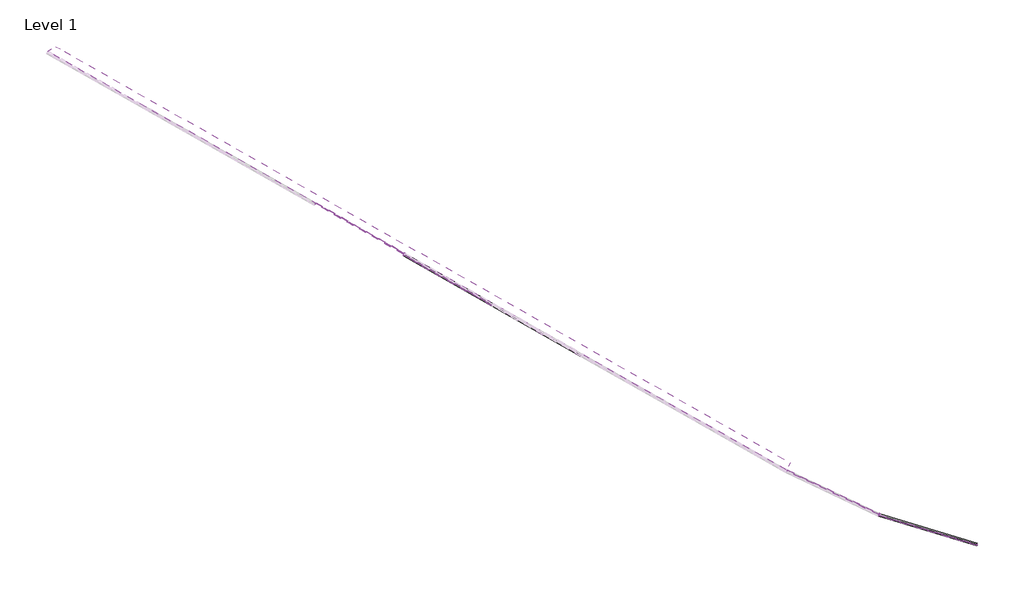
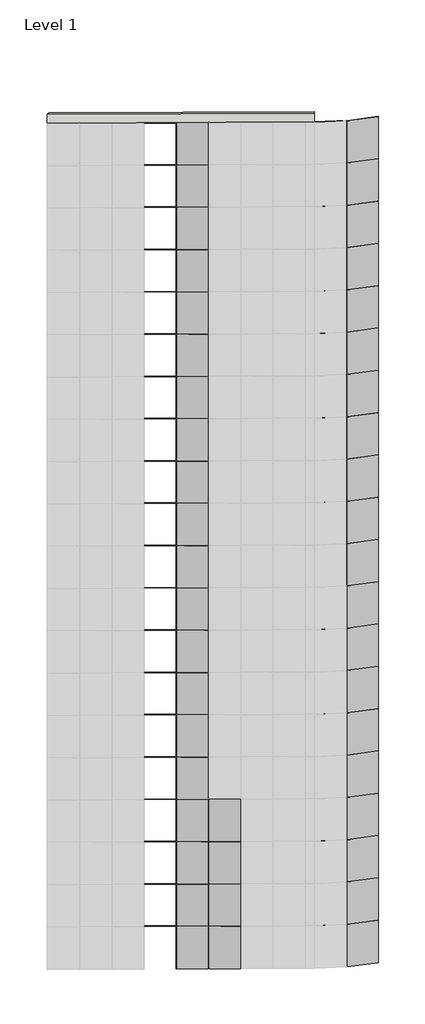
"""IFC4 building model written with IfcOpenShell, lengths in millimetres."""

import ifcopenshell
import ifcopenshell.guid

model = None  # the IFC model being written
_history = None  # IfcOwnerHistory: only IFC2X3 demands one
_inside = {}  # id of a spatial element -> (the spatial element, [elements in it])
_under = {}  # id of a project, library or spatial element -> (it, [spatial elements below it])
_declared = {}  # id of a project -> (the project, [libraries it declares])
_typed = {}  # id of a type object -> (the type object, [elements of that type])
_made_of = {}  # id of a material, layer set ... -> (it, [elements and type objects made of it])


def new_model(schema):
    """Start an empty IFC model of exactly this schema.

    Asked for "IFC4X3", IfcOpenShell would pick the latest addendum, in which some entities
    have other attributes; the version numbers below select the first issue.
    IFC2X3 requires an IfcOwnerHistory on every rooted entity: one is made here for all.
    """
    global model, _history
    if schema == "IFC4X3":
        model = ifcopenshell.file(schema_version=(4, 3, 0, 0))
    else:
        model = ifcopenshell.file(schema=schema)
    _inside.clear()
    _under.clear()
    _declared.clear()
    _typed.clear()
    _made_of.clear()
    _history = None
    if model.schema == "IFC2X3":
        org = make("IfcOrganization", Name="unknown")
        user = make(
            "IfcPersonAndOrganization",
            ThePerson=make("IfcPerson", FamilyName="unknown"),
            TheOrganization=org,
        )
        app = make(
            "IfcApplication",
            ApplicationDeveloper=org,
            Version="unknown",
            ApplicationFullName="unknown",
            ApplicationIdentifier="unknown",
        )
        _history = make(
            "IfcOwnerHistory",
            OwningUser=user,
            OwningApplication=app,
            ChangeAction="ADDED",
            CreationDate=0,
        )
    return model


def make(cls, **values):
    """One entity of the class cls with the attributes given. An attribute that is None is left unset."""
    return model.create_entity(
        cls, **{name: value for name, value in values.items() if value is not None}
    )


def rooted(cls, **values):
    """An entity with a GlobalId (a new one), such as an element, a storey or a relation."""
    return make(cls, GlobalId=ifcopenshell.guid.new(), OwnerHistory=_history, **values)


def si_unit(unit_type, name, prefix=None):
    """IfcSIUnit, for example si_unit("LENGTHUNIT", "METRE", prefix="MILLI")."""
    return make("IfcSIUnit", UnitType=unit_type, Prefix=prefix, Name=name)


def assignment(units):
    """IfcUnitAssignment: the units of a project."""
    return None if units is None else make("IfcUnitAssignment", Units=units)


def point(xyz):
    """IfcCartesianPoint."""
    return None if xyz is None else make("IfcCartesianPoint", Coordinates=xyz)


def direction(xyz):
    """IfcDirection."""
    return None if xyz is None else make("IfcDirection", DirectionRatios=xyz)


def frame(location, z_axis=None, x_axis=None):
    """IfcAxis2Placement3D, a coordinate frame: its origin and axes. An axis left out is left unset."""
    return make(
        "IfcAxis2Placement3D",
        Location=point(location),
        Axis=direction(z_axis),
        RefDirection=direction(x_axis),
    )


def origin():
    """The frame at (0, 0, 0) with its axes left unset."""
    return frame((0.0, 0.0, 0.0))


def origin_with_axes():
    """The frame at (0, 0, 0) with the z axis (0, 0, 1) and the x axis (1, 0, 0) written out."""
    return frame((0.0, 0.0, 0.0), z_axis=(0.0, 0.0, 1.0), x_axis=(1.0, 0.0, 0.0))


def place(relative_to, where):
    """IfcLocalPlacement: puts the frame where relative to a parent placement (None: the world)."""
    return make(
        "IfcLocalPlacement", PlacementRelTo=relative_to, RelativePlacement=where
    )


def context(
    kind, dimensions, precision=None, world=None, true_north=None, identifier=None
):
    """IfcGeometricRepresentationContext, for example the 3D "Model" context."""
    return make(
        "IfcGeometricRepresentationContext",
        ContextIdentifier=identifier,
        ContextType=kind,
        CoordinateSpaceDimension=dimensions,
        Precision=precision,
        WorldCoordinateSystem=world,
        TrueNorth=true_north,
    )


def project(units=None, contexts=None):
    """IfcProject with its units and contexts."""
    return rooted(
        "IfcProject",
        Name="project",
        RepresentationContexts=contexts,
        UnitsInContext=assignment(units),
    )


def spatial(cls, under=None, at=None, **own):
    """A site, building, storey or space (cls), placed at a placement, below another one or the project."""
    s = rooted(cls, ObjectPlacement=at, **own)
    if under is not None:
        _under.setdefault(under.id(), (under, []))[1].append(s)
    return s


def polyline(points):
    """IfcPolyline through the points."""
    return make("IfcPolyline", Points=[point(p) for p in points])


def outline(outer, holes=None, kind="AREA"):
    """IfcArbitraryClosedProfileDef: a profile drawn as a closed curve; with holes, ...WithVoids."""
    if holes is None:
        return make("IfcArbitraryClosedProfileDef", ProfileType=kind, OuterCurve=outer)
    return make(
        "IfcArbitraryProfileDefWithVoids",
        ProfileType=kind,
        OuterCurve=outer,
        InnerCurves=holes,
    )


def extrude(swept, where, along, depth):
    """IfcExtrudedAreaSolid: the profile swept, set in the frame where, extruded along a direction by depth."""
    return make(
        "IfcExtrudedAreaSolid",
        SweptArea=swept,
        Position=where,
        ExtrudedDirection=direction(along),
        Depth=depth,
    )


def faces_of(points, faces, orient=None, outer=None):
    """IfcFace entities. A face is a list of loops; a loop is a list of indices into points, from 0.

    orient and outer hold one flag for each loop. By default every Orientation is true, the
    first loop of a face is its IfcFaceOuterBound and the others are IfcFaceBound.
    """
    made = []
    for i, loops in enumerate(faces):
        bounds = []
        for j, loop in enumerate(loops):
            is_outer = j == 0 if outer is None else outer[i][j]
            bounds.append(
                make(
                    "IfcFaceOuterBound" if is_outer else "IfcFaceBound",
                    Bound=make("IfcPolyLoop", Polygon=[points[k] for k in loop]),
                    Orientation=True if orient is None else orient[i][j],
                )
            )
        made.append(make("IfcFace", Bounds=bounds))
    return made


def faceted_brep(points, faces, orient=None, outer=None, voids=None):
    """IfcFacetedBrep: a solid bounded by flat faces; with voids (closed shells), ...WithVoids."""
    shared = [point(p) for p in points]
    hull = make("IfcClosedShell", CfsFaces=faces_of(shared, faces, orient, outer))
    if voids is None:
        return make("IfcFacetedBrep", Outer=hull)
    return make(
        "IfcFacetedBrepWithVoids",
        Outer=hull,
        Voids=[
            make(cls, CfsFaces=faces_of(shared, fs, o, b)) for cls, fs, o, b in voids
        ],
    )


def shape(context_of_items, identifier, shape_type, items):
    """IfcShapeRepresentation: the items that make up one representation, for example the "Body"."""
    return make(
        "IfcShapeRepresentation",
        ContextOfItems=context_of_items,
        RepresentationIdentifier=identifier,
        RepresentationType=shape_type,
        Items=items,
    )


def source(mapping_origin, context_of_items, identifier, shape_type, items):
    """IfcRepresentationMap: a shape defined once, which mapped items show again and again."""
    return make(
        "IfcRepresentationMap",
        MappingOrigin=mapping_origin,
        MappedRepresentation=shape(context_of_items, identifier, shape_type, items),
    )


def transform(
    local_origin,
    x_axis=None,
    y_axis=None,
    z_axis=None,
    scale=None,
    scale2=None,
    scale3=None,
    uniform=True,
):
    """IfcCartesianTransformationOperator3D, or its non-uniform kind. x_axis, y_axis, z_axis: its Axis1, 2, 3."""
    if uniform:
        return make(
            "IfcCartesianTransformationOperator3D",
            Axis1=direction(x_axis),
            Axis2=direction(y_axis),
            LocalOrigin=point(local_origin),
            Scale=scale,
            Axis3=direction(z_axis),
        )
    return make(
        "IfcCartesianTransformationOperator3DnonUniform",
        Axis1=direction(x_axis),
        Axis2=direction(y_axis),
        LocalOrigin=point(local_origin),
        Scale=scale,
        Axis3=direction(z_axis),
        Scale2=scale2,
        Scale3=scale3,
    )


def mapped(mapping_source, mapping_target):
    """IfcMappedItem: shows the shape of a source again, moved by a transform."""
    return make(
        "IfcMappedItem", MappingSource=mapping_source, MappingTarget=mapping_target
    )


def made_of(thing, what):
    """Note that an element or type object is made of a material, layer set ...; save() writes the relation."""
    if what is not None:
        _made_of.setdefault(what.id(), (what, []))[1].append(thing)
    return thing


def element(
    cls,
    number,
    at=None,
    inside=None,
    cuts=None,
    type_object=None,
    material=None,
    context=None,
    identifier="Body",
    shape_type=None,
    held_by="IfcProductDefinitionShape",
    body=None,
    shapes=None,
    **own,
):
    """One element of the class cls, such as IfcWall. Its Tag is "e" and its number.

    at: its placement. inside: the storey or other place that contains it. cuts: it is an
    opening in that element (IfcRelVoidsElement). A single representation is given by context,
    identifier, shape_type and body (its items); several are given by shapes. held_by: the class
    of the entity that holds the representations. save() writes the other relations.
    """
    e = rooted(cls, Tag="e%d" % number, ObjectPlacement=at, **own)
    if body is not None:
        shapes = [shape(context, identifier, shape_type, body)]
    if shapes is not None:
        e.Representation = make(held_by, Representations=shapes)
    if inside is not None:
        _inside.setdefault(inside.id(), (inside, []))[1].append(e)
    if cuts is not None:
        rooted(
            "IfcRelVoidsElement", RelatingBuildingElement=cuts, RelatedOpeningElement=e
        )
    if type_object is not None:
        _typed.setdefault(type_object.id(), (type_object, []))[1].append(e)
    return made_of(e, material)


def aggregate(whole, parts):
    """IfcRelAggregates: a whole, such as a stair, and the parts it consists of."""
    return rooted("IfcRelAggregates", RelatingObject=whole, RelatedObjects=parts)


def save(model, path):
    """Write the relations noted so far, then the file.

    IfcRelAggregates (storeys below a building ...), IfcRelContainedInSpatialStructure (elements
    in a storey), IfcRelDefinesByType, IfcRelAssociatesMaterial and IfcRelDeclares: one each for
    every whole, place, type object, material and project.
    """
    for whole, parts in _under.values():
        aggregate(whole, parts)
    for where, things in _inside.values():
        rooted(
            "IfcRelContainedInSpatialStructure",
            RelatedElements=things,
            RelatingStructure=where,
        )
    for kind, things in _typed.values():
        rooted("IfcRelDefinesByType", RelatedObjects=things, RelatingType=kind)
    for what, things in _made_of.values():
        rooted("IfcRelAssociatesMaterial", RelatedObjects=things, RelatingMaterial=what)
    for by, libraries in _declared.values():
        rooted("IfcRelDeclares", RelatingContext=by, RelatedDefinitions=libraries)
    model.write(path)


def rectangular_mullion_30mm_square_a2305603(model_context):
    return source(origin(), model_context, "Body", "SweptSolid", [
        extrude(outline(polyline([(15.0, 15.0), (15.0, -15.0), (-15.0, -15.0), (-15.0, 15.0), (15.0, 15.0)])), frame((0.0, 0.0, -4015.0), z_axis=(0.0, 0.0, 1.0), x_axis=(1.0, 0.0, 0.0)), (0.0, 0.0, 1.0), 4015.0),
    ])


def rectangular_mullion_30mm_square_2a99bbf3(model_context):
    return source(origin(), model_context, "Body", "SweptSolid", [
        extrude(outline(polyline([(15.0, 15.0), (15.0, -15.0), (-15.0, -15.0), (-15.0, 15.0), (15.0, 15.0)])), frame((0.0, 0.0, -4000.0), z_axis=(0.0, 0.0, 1.0), x_axis=(1.0, 0.0, 0.0)), (0.0, 0.0, 1.0), 4000.0),
    ])


def rectangular_mullion_30mm_square_a85e5849(model_context):
    return source(origin(), model_context, "Body", "SweptSolid", [
        extrude(outline(polyline([(15.0, 15.0), (15.0, -15.0), (-15.0, -15.0), (-15.0, 15.0), (15.0, 15.0)])), frame((0.0, 0.0, -3985.0), z_axis=(0.0, 0.0, 1.0), x_axis=(1.0, 0.0, 0.0)), (0.0, 0.0, 1.0), 3985.0),
    ])


def rectangular_mullion_30mm_square_a75c0846(model_context):
    return source(origin(), model_context, "Body", "SweptSolid", [
        extrude(outline(polyline([(-15.0, 14.4444596), (-13.8493475, -1.0684652), (15.0, 1.0714004), (15.0, -2470.000017), (-15.0, -2470.000017), (-15.0, 14.4444596)])), frame((-30.0, 0.0, 0.0), z_axis=(1.0, 0.0, 0.0), x_axis=(0.0, 1.0, 0.0)), (0.0, 0.0, 1.0), 30.0),
    ])


def rectangular_mullion_30mm_square_05d4f6f3(model_context):
    return source(origin(), model_context, "Body", "SweptSolid", [
        extrude(outline(polyline([(-15.0, 14.447782), (-13.8564546, -1.0623369), (15.0, 1.0652204), (15.0, -2471.0652204), (-13.8564546, -2468.9376631), (-15.0, -2484.447782), (-15.0, 14.447782)])), frame((-30.0, 0.0, 0.0), z_axis=(1.0, 0.0, 0.0), x_axis=(0.0, 1.0, 0.0)), (0.0, 0.0, 1.0), 30.0),
    ])


def rectangular_mullion_30mm_square_098c2dfb(model_context):
    return source(origin(), model_context, "Body", "Brep", [
        faceted_brep([(15.0, 15.0, -2470.000017), (15.0, -15.0, -2470.000017), (-15.0, -15.0, -2470.000017), (-15.0, 15.0, -2470.000017), (-15.0, 15.0, 1.0714004), (0.0, 15.0, 1.0714004), (15.0, 15.0, 1.0714004), (-15.0, -15.0, 14.4444596), (-15.0, -13.8493475, -1.0684652), (15.0, -15.0, 14.4444596), (0.0, -15.0, 14.4444596), (15.0, -13.8493475, -1.0684652), (0.0, -13.8493475, -1.0684652)], [[[0, 1, 2, 3]], [[4, 5, 6, 0, 3]], [[7, 8, 4, 3, 2]], [[9, 10, 7, 2, 1]], [[6, 11, 9, 1, 0]], [[6, 5, 12, 11]], [[5, 4, 8, 12]], [[8, 7, 10, 12]], [[10, 9, 11, 12]]]),
    ])


def rectangular_mullion_30mm_square_265a0302(model_context):
    return source(origin(), model_context, "Body", "SweptSolid", [
        extrude(outline(polyline([(0.0, 15.0), (0.0, -15.0), (-30.0, -15.0), (-30.0, 15.0), (0.0, 15.0)])), frame((0.0, 0.0, -2470.0000003), z_axis=(0.0, 0.0, 1.0), x_axis=(1.0, 0.0, 0.0)), (0.0, 0.0, 1.0), 2470.0000003),
    ])


def rectangular_mullion_30mm_square_9cf49471(model_context):
    return source(origin(), model_context, "Body", "SweptSolid", [
        extrude(outline(polyline([(15.0, 15.0), (15.0, -15.0), (-15.0, -15.0), (-15.0, 15.0), (15.0, 15.0)])), frame((0.0, 0.0, -2470.0000003), z_axis=(0.0, 0.0, 1.0), x_axis=(1.0, 0.0, 0.0)), (0.0, 0.0, 1.0), 2470.0000003),
    ])


def system_panel_glazed_a46cada3(model_context):
    return source(origin(), model_context, "Body", "SweptSolid", [
        extrude(outline(polyline([(1250.0, -49.5), (-1250.0, -49.5), (-1250.0, -24.5), (1250.0, -24.5), (1250.0, -49.5)])), origin_with_axes(), (0.0, 0.0, 1.0), 4000.0),
    ])


def system_panel_glazed_f0c60a00(model_context):
    return source(origin(), model_context, "Body", "SweptSolid", [
        extrude(outline(polyline([(1250.0, -49.5), (-1250.0, -49.5), (-1250.0, -24.5), (1250.0, -24.5), (1250.0, -49.5)])), origin_with_axes(), (0.0, 0.0, 1.0), 4015.0),
    ])


def system_panel_glazed_3cdec05c(model_context):
    return source(origin(), model_context, "Body", "SweptSolid", [
        extrude(outline(polyline([(1250.0, -49.5), (-1250.0, -49.5), (-1250.0, -24.5), (1250.0, -24.5), (1250.0, -49.5)])), origin_with_axes(), (0.0, 0.0, 1.0), 3985.0),
    ])


model = new_model("IFC4")

# Units and contexts
model_context = context("Model", 3, world=origin())
ifc_project = project(units=[si_unit("LENGTHUNIT", "METRE", prefix="MILLI")], contexts=[model_context])

# Site, building, storey
site = spatial("IfcSite", under=ifc_project)
building = spatial("IfcBuilding", under=site)
storey = spatial("IfcBuildingStorey", under=building, Name="Level 1", Elevation=0.0)

# Members
placement = place(None, origin())
rectangular_mullion_30mm_square_shape = rectangular_mullion_30mm_square_a2305603(model_context)
element("IfcMember", 1, ObjectType="Rectangular Mullion : 30mm Square", at=placement, inside=storey, context=model_context, shape_type="MappedRepresentation", body=[
    mapped(rectangular_mullion_30mm_square_shape, transform((-13667.6771424, -4505.4584691, 0.0), x_axis=(0.8700221858486108, -0.49301257198088305, 0.0), y_axis=(-0.49301257198088305, -0.8700221858486108, 0.0), z_axis=(0.0, 0.0, -1.0))),
])
rectangular_mullion_30mm_square_2_shape = rectangular_mullion_30mm_square_2a99bbf3(model_context)
element("IfcMember", 2, ObjectType="Rectangular Mullion : 30mm Square", at=placement, inside=storey, context=model_context, shape_type="MappedRepresentation", body=[
    mapped(rectangular_mullion_30mm_square_2_shape, transform((-13667.6771424, -4505.4584691, 4015.0), x_axis=(0.8700221858486108, -0.49301257198088305, 0.0), y_axis=(-0.49301257198088305, -0.8700221858486108, 0.0), z_axis=(0.0, 0.0, -1.0))),
])
element("IfcMember", 3, ObjectType="Rectangular Mullion : 30mm Square", at=placement, inside=storey, context=model_context, shape_type="MappedRepresentation", body=[
    mapped(rectangular_mullion_30mm_square_2_shape, transform((-13667.6771424, -4505.4584691, 8015.0), x_axis=(0.8700221858486108, -0.49301257198088305, 0.0), y_axis=(-0.49301257198088305, -0.8700221858486108, 0.0), z_axis=(0.0, 0.0, -1.0))),
])
element("IfcMember", 4, ObjectType="Rectangular Mullion : 30mm Square", at=placement, inside=storey, context=model_context, shape_type="MappedRepresentation", body=[
    mapped(rectangular_mullion_30mm_square_2_shape, transform((-13667.6771424, -4505.4584691, 12015.0), x_axis=(0.8700221858486108, -0.49301257198088305, 0.0), y_axis=(-0.49301257198088305, -0.8700221858486108, 0.0), z_axis=(0.0, 0.0, -1.0))),
])
element("IfcMember", 5, ObjectType="Rectangular Mullion : 30mm Square", at=placement, inside=storey, context=model_context, shape_type="MappedRepresentation", body=[
    mapped(rectangular_mullion_30mm_square_2_shape, transform((-13667.6771424, -4505.4584691, 16015.0), x_axis=(0.8700221858486108, -0.49301257198088305, 0.0), y_axis=(-0.49301257198088305, -0.8700221858486108, 0.0), z_axis=(0.0, 0.0, -1.0))),
])
element("IfcMember", 6, ObjectType="Rectangular Mullion : 30mm Square", at=placement, inside=storey, context=model_context, shape_type="MappedRepresentation", body=[
    mapped(rectangular_mullion_30mm_square_2_shape, transform((-13667.6771424, -4505.4584691, 20015.0), x_axis=(0.8700221858486108, -0.49301257198088305, 0.0), y_axis=(-0.49301257198088305, -0.8700221858486108, 0.0), z_axis=(0.0, 0.0, -1.0))),
])
element("IfcMember", 7, ObjectType="Rectangular Mullion : 30mm Square", at=placement, inside=storey, context=model_context, shape_type="MappedRepresentation", body=[
    mapped(rectangular_mullion_30mm_square_2_shape, transform((-13667.6771424, -4505.4584691, 24015.0), x_axis=(0.8700221858486108, -0.49301257198088305, 0.0), y_axis=(-0.49301257198088305, -0.8700221858486108, 0.0), z_axis=(0.0, 0.0, -1.0))),
])
element("IfcMember", 8, ObjectType="Rectangular Mullion : 30mm Square", at=placement, inside=storey, context=model_context, shape_type="MappedRepresentation", body=[
    mapped(rectangular_mullion_30mm_square_2_shape, transform((-13667.6771424, -4505.4584691, 28015.0), x_axis=(0.8700221858486108, -0.49301257198088305, 0.0), y_axis=(-0.49301257198088305, -0.8700221858486108, 0.0), z_axis=(0.0, 0.0, -1.0))),
])
element("IfcMember", 9, ObjectType="Rectangular Mullion : 30mm Square", at=placement, inside=storey, context=model_context, shape_type="MappedRepresentation", body=[
    mapped(rectangular_mullion_30mm_square_2_shape, transform((-13667.6771424, -4505.4584691, 32015.0), x_axis=(0.8700221858486108, -0.49301257198088305, 0.0), y_axis=(-0.49301257198088305, -0.8700221858486108, 0.0), z_axis=(0.0, 0.0, -1.0))),
])
element("IfcMember", 10, ObjectType="Rectangular Mullion : 30mm Square", at=placement, inside=storey, context=model_context, shape_type="MappedRepresentation", body=[
    mapped(rectangular_mullion_30mm_square_2_shape, transform((-13667.6771424, -4505.4584691, 36015.0), x_axis=(0.8700221858486108, -0.49301257198088305, 0.0), y_axis=(-0.49301257198088305, -0.8700221858486108, 0.0), z_axis=(0.0, 0.0, -1.0))),
])
element("IfcMember", 11, ObjectType="Rectangular Mullion : 30mm Square", at=placement, inside=storey, context=model_context, shape_type="MappedRepresentation", body=[
    mapped(rectangular_mullion_30mm_square_2_shape, transform((-13667.6771424, -4505.4584691, 40015.0), x_axis=(0.8700221858486108, -0.49301257198088305, 0.0), y_axis=(-0.49301257198088305, -0.8700221858486108, 0.0), z_axis=(0.0, 0.0, -1.0))),
])
element("IfcMember", 12, ObjectType="Rectangular Mullion : 30mm Square", at=placement, inside=storey, context=model_context, shape_type="MappedRepresentation", body=[
    mapped(rectangular_mullion_30mm_square_2_shape, transform((-13667.6771424, -4505.4584691, 44015.0), x_axis=(0.8700221858486108, -0.49301257198088305, 0.0), y_axis=(-0.49301257198088305, -0.8700221858486108, 0.0), z_axis=(0.0, 0.0, -1.0))),
])
element("IfcMember", 13, ObjectType="Rectangular Mullion : 30mm Square", at=placement, inside=storey, context=model_context, shape_type="MappedRepresentation", body=[
    mapped(rectangular_mullion_30mm_square_2_shape, transform((-13667.6771424, -4505.4584691, 48015.0), x_axis=(0.8700221858486108, -0.49301257198088305, 0.0), y_axis=(-0.49301257198088305, -0.8700221858486108, 0.0), z_axis=(0.0, 0.0, -1.0))),
])
element("IfcMember", 14, ObjectType="Rectangular Mullion : 30mm Square", at=placement, inside=storey, context=model_context, shape_type="MappedRepresentation", body=[
    mapped(rectangular_mullion_30mm_square_2_shape, transform((-13667.6771424, -4505.4584691, 52015.0), x_axis=(0.8700221858486108, -0.49301257198088305, 0.0), y_axis=(-0.49301257198088305, -0.8700221858486108, 0.0), z_axis=(0.0, 0.0, -1.0))),
])
element("IfcMember", 15, ObjectType="Rectangular Mullion : 30mm Square", at=placement, inside=storey, context=model_context, shape_type="MappedRepresentation", body=[
    mapped(rectangular_mullion_30mm_square_2_shape, transform((-13667.6771424, -4505.4584691, 56015.0), x_axis=(0.8700221858486108, -0.49301257198088305, 0.0), y_axis=(-0.49301257198088305, -0.8700221858486108, 0.0), z_axis=(0.0, 0.0, -1.0))),
])
element("IfcMember", 16, ObjectType="Rectangular Mullion : 30mm Square", at=placement, inside=storey, context=model_context, shape_type="MappedRepresentation", body=[
    mapped(rectangular_mullion_30mm_square_2_shape, transform((-13667.6771424, -4505.4584691, 60015.0), x_axis=(0.8700221858486108, -0.49301257198088305, 0.0), y_axis=(-0.49301257198088305, -0.8700221858486108, 0.0), z_axis=(0.0, 0.0, -1.0))),
])
element("IfcMember", 17, ObjectType="Rectangular Mullion : 30mm Square", at=placement, inside=storey, context=model_context, shape_type="MappedRepresentation", body=[
    mapped(rectangular_mullion_30mm_square_2_shape, transform((-13667.6771424, -4505.4584691, 64015.0), x_axis=(0.8700221858486108, -0.49301257198088305, 0.0), y_axis=(-0.49301257198088305, -0.8700221858486108, 0.0), z_axis=(0.0, 0.0, -1.0))),
])
element("IfcMember", 18, ObjectType="Rectangular Mullion : 30mm Square", at=placement, inside=storey, context=model_context, shape_type="MappedRepresentation", body=[
    mapped(rectangular_mullion_30mm_square_2_shape, transform((-13667.6771424, -4505.4584691, 68015.0), x_axis=(0.8700221858486108, -0.49301257198088305, 0.0), y_axis=(-0.49301257198088305, -0.8700221858486108, 0.0), z_axis=(0.0, 0.0, -1.0))),
])
element("IfcMember", 19, ObjectType="Rectangular Mullion : 30mm Square", at=placement, inside=storey, context=model_context, shape_type="MappedRepresentation", body=[
    mapped(rectangular_mullion_30mm_square_2_shape, transform((-13667.6771424, -4505.4584691, 72015.0), x_axis=(0.8700221858486108, -0.49301257198088305, 0.0), y_axis=(-0.49301257198088305, -0.8700221858486108, 0.0), z_axis=(0.0, 0.0, -1.0))),
])
element("IfcMember", 20, ObjectType="Rectangular Mullion : 30mm Square", at=placement, inside=storey, context=model_context, shape_type="MappedRepresentation", body=[
    mapped(rectangular_mullion_30mm_square_2_shape, transform((-2067.5119364, -10865.0563526, 36015.0), x_axis=(0.9332383198328057, -0.35925789955913556, 0.0), y_axis=(-0.35925789955913556, -0.9332383198328057, 0.0), z_axis=(0.0, 0.0, -1.0))),
])
element("IfcMember", 21, ObjectType="Rectangular Mullion : 30mm Square", at=placement, inside=storey, context=model_context, shape_type="MappedRepresentation", body=[
    mapped(rectangular_mullion_30mm_square_2_shape, transform((-2067.5119364, -10865.0563526, 40015.0), x_axis=(0.9332383198328057, -0.35925789955913556, 0.0), y_axis=(-0.35925789955913556, -0.9332383198328057, 0.0), z_axis=(0.0, 0.0, -1.0))),
])
element("IfcMember", 22, ObjectType="Rectangular Mullion : 30mm Square", at=placement, inside=storey, context=model_context, shape_type="MappedRepresentation", body=[
    mapped(rectangular_mullion_30mm_square_2_shape, transform((-2067.5119364, -10865.0563526, 44015.0), x_axis=(0.9332383198328057, -0.35925789955913556, 0.0), y_axis=(-0.35925789955913556, -0.9332383198328057, 0.0), z_axis=(0.0, 0.0, -1.0))),
])
element("IfcMember", 23, ObjectType="Rectangular Mullion : 30mm Square", at=placement, inside=storey, context=model_context, shape_type="MappedRepresentation", body=[
    mapped(rectangular_mullion_30mm_square_2_shape, transform((-2067.5119364, -10865.0563526, 48015.0), x_axis=(0.9332383198328054, -0.35925789955913634, 0.0), y_axis=(-0.35925789955913634, -0.9332383198328054, 0.0), z_axis=(0.0, 0.0, -1.0))),
])
element("IfcMember", 24, ObjectType="Rectangular Mullion : 30mm Square", at=placement, inside=storey, context=model_context, shape_type="MappedRepresentation", body=[
    mapped(rectangular_mullion_30mm_square_2_shape, transform((-2067.5119364, -10865.0563526, 52015.0), x_axis=(0.9332383198328057, -0.35925789955913556, 0.0), y_axis=(-0.35925789955913556, -0.9332383198328057, 0.0), z_axis=(0.0, 0.0, -1.0))),
])
element("IfcMember", 25, ObjectType="Rectangular Mullion : 30mm Square", at=placement, inside=storey, context=model_context, shape_type="MappedRepresentation", body=[
    mapped(rectangular_mullion_30mm_square_2_shape, transform((-2067.5119364, -10865.0563526, 56015.0), x_axis=(0.9332383198328057, -0.35925789955913556, 0.0), y_axis=(-0.35925789955913556, -0.9332383198328057, 0.0), z_axis=(0.0, 0.0, -1.0))),
])
element("IfcMember", 26, ObjectType="Rectangular Mullion : 30mm Square", at=placement, inside=storey, context=model_context, shape_type="MappedRepresentation", body=[
    mapped(rectangular_mullion_30mm_square_2_shape, transform((-2067.5119364, -10865.0563526, 60015.0), x_axis=(0.9332383198328057, -0.35925789955913556, 0.0), y_axis=(-0.35925789955913556, -0.9332383198328057, 0.0), z_axis=(0.0, 0.0, -1.0))),
])
element("IfcMember", 27, ObjectType="Rectangular Mullion : 30mm Square", at=placement, inside=storey, context=model_context, shape_type="MappedRepresentation", body=[
    mapped(rectangular_mullion_30mm_square_2_shape, transform((-2067.5119364, -10865.0563526, 64015.0), x_axis=(0.9332383198328057, -0.35925789955913556, 0.0), y_axis=(-0.35925789955913556, -0.9332383198328057, 0.0), z_axis=(0.0, 0.0, -1.0))),
])
element("IfcMember", 28, ObjectType="Rectangular Mullion : 30mm Square", at=placement, inside=storey, context=model_context, shape_type="MappedRepresentation", body=[
    mapped(rectangular_mullion_30mm_square_2_shape, transform((-2067.5119364, -10865.0563526, 68015.0), x_axis=(0.9332383198328057, -0.35925789955913556, 0.0), y_axis=(-0.35925789955913556, -0.9332383198328057, 0.0), z_axis=(0.0, 0.0, -1.0))),
])
element("IfcMember", 29, ObjectType="Rectangular Mullion : 30mm Square", at=placement, inside=storey, context=model_context, shape_type="MappedRepresentation", body=[
    mapped(rectangular_mullion_30mm_square_2_shape, transform((-2067.5119364, -10865.0563526, 72015.0), x_axis=(0.9332383198328057, -0.35925789955913556, 0.0), y_axis=(-0.35925789955913556, -0.9332383198328057, 0.0), z_axis=(0.0, 0.0, -1.0))),
])
rectangular_mullion_30mm_square_3_shape = rectangular_mullion_30mm_square_a85e5849(model_context)
element("IfcMember", 30, ObjectType="Rectangular Mullion : 30mm Square", at=placement, inside=storey, context=model_context, shape_type="MappedRepresentation", body=[
    mapped(rectangular_mullion_30mm_square_3_shape, transform((-13667.6771424, -4505.4584691, 76015.0), x_axis=(0.8700221858486108, -0.49301257198088305, 0.0), y_axis=(-0.49301257198088305, -0.8700221858486108, 0.0), z_axis=(0.0, 0.0, -1.0))),
])
element("IfcMember", 31, ObjectType="Rectangular Mullion : 30mm Square", at=placement, inside=storey, context=model_context, shape_type="MappedRepresentation", body=[
    mapped(rectangular_mullion_30mm_square_3_shape, transform((-2067.5119364, -10865.0563526, 76015.0), x_axis=(0.9332383198328057, -0.35925789955913556, 0.0), y_axis=(-0.35925789955913556, -0.9332383198328057, 0.0), z_axis=(0.0, 0.0, -1.0))),
])
rectangular_mullion_30mm_square_4_shape = rectangular_mullion_30mm_square_a75c0846(model_context)
element("IfcMember", 32, ObjectType="Rectangular Mullion : 30mm Square", at=placement, inside=storey, context=model_context, shape_type="MappedRepresentation", body=[
    mapped(rectangular_mullion_30mm_square_4_shape, transform((-2081.0735433, -10858.6467645, 80000.0), x_axis=(0.0, 0.0, 1.0), y_axis=(-0.42730587295722766, -0.9041071235955737, 0.0), z_axis=(0.9041071235955737, -0.42730587295722766, 0.0))),
])
rectangular_mullion_30mm_square_5_shape = rectangular_mullion_30mm_square_05d4f6f3(model_context)
element("IfcMember", 33, ObjectType="Rectangular Mullion : 30mm Square", at=placement, inside=storey, context=model_context, shape_type="MappedRepresentation", body=[
    mapped(rectangular_mullion_30mm_square_5_shape, transform((-2053.1550148, -10869.4013267, 0.0), x_axis=(0.0, 0.0, -1.0), y_axis=(-0.2896649413390073, -0.9571281114663123, 0.0), z_axis=(-0.9571281114663123, 0.2896649413390073, 0.0))),
])
rectangular_mullion_30mm_square_6_shape = rectangular_mullion_30mm_square_098c2dfb(model_context)
element("IfcMember", 34, ObjectType="Rectangular Mullion : 30mm Square", at=placement, inside=storey, context=model_context, shape_type="MappedRepresentation", body=[
    mapped(rectangular_mullion_30mm_square_6_shape, transform((-2081.0735433, -10858.6467645, 4015.0), x_axis=(0.0, 0.0, 1.0), y_axis=(-0.42730587295722766, -0.9041071235955737, 0.0), z_axis=(0.9041071235955737, -0.42730587295722766, 0.0))),
])
element("IfcMember", 35, ObjectType="Rectangular Mullion : 30mm Square", at=placement, inside=storey, context=model_context, shape_type="MappedRepresentation", body=[
    mapped(rectangular_mullion_30mm_square_6_shape, transform((-2081.0735433, -10858.6467645, 8015.0), x_axis=(0.0, 0.0, 1.0), y_axis=(-0.42730587295722766, -0.9041071235955737, 0.0), z_axis=(0.9041071235955737, -0.42730587295722766, 0.0))),
])
element("IfcMember", 36, ObjectType="Rectangular Mullion : 30mm Square", at=placement, inside=storey, context=model_context, shape_type="MappedRepresentation", body=[
    mapped(rectangular_mullion_30mm_square_6_shape, transform((-2081.0735433, -10858.6467645, 12015.0), x_axis=(0.0, 0.0, 1.0), y_axis=(-0.42730587295722766, -0.9041071235955737, 0.0), z_axis=(0.9041071235955737, -0.42730587295722766, 0.0))),
])
element("IfcMember", 37, ObjectType="Rectangular Mullion : 30mm Square", at=placement, inside=storey, context=model_context, shape_type="MappedRepresentation", body=[
    mapped(rectangular_mullion_30mm_square_6_shape, transform((-2081.0735433, -10858.6467645, 16015.0), x_axis=(0.0, 0.0, 1.0), y_axis=(-0.42730587295722766, -0.9041071235955737, 0.0), z_axis=(0.9041071235955737, -0.42730587295722766, 0.0))),
])
element("IfcMember", 38, ObjectType="Rectangular Mullion : 30mm Square", at=placement, inside=storey, context=model_context, shape_type="MappedRepresentation", body=[
    mapped(rectangular_mullion_30mm_square_6_shape, transform((-2081.0735433, -10858.6467645, 20015.0), x_axis=(0.0, 0.0, 1.0), y_axis=(-0.42730587295722766, -0.9041071235955737, 0.0), z_axis=(0.9041071235955737, -0.42730587295722766, 0.0))),
])
element("IfcMember", 39, ObjectType="Rectangular Mullion : 30mm Square", at=placement, inside=storey, context=model_context, shape_type="MappedRepresentation", body=[
    mapped(rectangular_mullion_30mm_square_6_shape, transform((-2081.0735433, -10858.6467645, 24015.0), x_axis=(0.0, 0.0, 1.0), y_axis=(-0.42730587295722766, -0.9041071235955737, 0.0), z_axis=(0.9041071235955737, -0.42730587295722766, 0.0))),
])
element("IfcMember", 40, ObjectType="Rectangular Mullion : 30mm Square", at=placement, inside=storey, context=model_context, shape_type="MappedRepresentation", body=[
    mapped(rectangular_mullion_30mm_square_6_shape, transform((-2081.0735433, -10858.6467645, 28015.0), x_axis=(0.0, 0.0, 1.0), y_axis=(-0.42730587295722766, -0.9041071235955737, 0.0), z_axis=(0.9041071235955737, -0.42730587295722766, 0.0))),
])
element("IfcMember", 41, ObjectType="Rectangular Mullion : 30mm Square", at=placement, inside=storey, context=model_context, shape_type="MappedRepresentation", body=[
    mapped(rectangular_mullion_30mm_square_6_shape, transform((-2081.0735433, -10858.6467645, 32015.0), x_axis=(0.0, 0.0, 1.0), y_axis=(-0.42730587295722755, -0.9041071235955735, 0.0), z_axis=(0.9041071235955735, -0.42730587295722755, 0.0))),
])
element("IfcMember", 42, ObjectType="Rectangular Mullion : 30mm Square", at=placement, inside=storey, context=model_context, shape_type="MappedRepresentation", body=[
    mapped(rectangular_mullion_30mm_square_6_shape, transform((-2081.0735433, -10858.6467645, 36015.0), x_axis=(0.0, 0.0, 1.0), y_axis=(-0.4273058729572275, -0.9041071235955735, 0.0), z_axis=(0.9041071235955735, -0.4273058729572275, 0.0))),
])
element("IfcMember", 43, ObjectType="Rectangular Mullion : 30mm Square", at=placement, inside=storey, context=model_context, shape_type="MappedRepresentation", body=[
    mapped(rectangular_mullion_30mm_square_6_shape, transform((-2081.0735433, -10858.6467645, 40015.0), x_axis=(0.0, 0.0, 1.0), y_axis=(-0.4273058729572275, -0.9041071235955735, 0.0), z_axis=(0.9041071235955735, -0.4273058729572275, 0.0))),
])
element("IfcMember", 44, ObjectType="Rectangular Mullion : 30mm Square", at=placement, inside=storey, context=model_context, shape_type="MappedRepresentation", body=[
    mapped(rectangular_mullion_30mm_square_6_shape, transform((-2081.0735433, -10858.6467645, 44015.0), x_axis=(0.0, 0.0, 1.0), y_axis=(-0.4273058729572275, -0.9041071235955735, 0.0), z_axis=(0.9041071235955735, -0.4273058729572275, 0.0))),
])
element("IfcMember", 45, ObjectType="Rectangular Mullion : 30mm Square", at=placement, inside=storey, context=model_context, shape_type="MappedRepresentation", body=[
    mapped(rectangular_mullion_30mm_square_6_shape, transform((-2081.0735433, -10858.6467645, 48015.0), x_axis=(0.0, 0.0, 1.0), y_axis=(-0.4273058729572278, -0.9041071235955734, 0.0), z_axis=(0.9041071235955734, -0.4273058729572278, 0.0))),
])
element("IfcMember", 46, ObjectType="Rectangular Mullion : 30mm Square", at=placement, inside=storey, context=model_context, shape_type="MappedRepresentation", body=[
    mapped(rectangular_mullion_30mm_square_6_shape, transform((-2081.0735433, -10858.6467645, 52015.0), x_axis=(0.0, 0.0, 1.0), y_axis=(-0.4273058729572275, -0.9041071235955735, 0.0), z_axis=(0.9041071235955735, -0.4273058729572275, 0.0))),
])
element("IfcMember", 47, ObjectType="Rectangular Mullion : 30mm Square", at=placement, inside=storey, context=model_context, shape_type="MappedRepresentation", body=[
    mapped(rectangular_mullion_30mm_square_6_shape, transform((-2081.0735433, -10858.6467645, 56015.0), x_axis=(0.0, 0.0, 1.0), y_axis=(-0.42730587295722755, -0.9041071235955735, 0.0), z_axis=(0.9041071235955735, -0.42730587295722755, 0.0))),
])
element("IfcMember", 48, ObjectType="Rectangular Mullion : 30mm Square", at=placement, inside=storey, context=model_context, shape_type="MappedRepresentation", body=[
    mapped(rectangular_mullion_30mm_square_6_shape, transform((-2081.0735433, -10858.6467645, 60015.0), x_axis=(0.0, 0.0, 1.0), y_axis=(-0.42730587295722766, -0.9041071235955735, 0.0), z_axis=(0.9041071235955735, -0.42730587295722766, 0.0))),
])
element("IfcMember", 49, ObjectType="Rectangular Mullion : 30mm Square", at=placement, inside=storey, context=model_context, shape_type="MappedRepresentation", body=[
    mapped(rectangular_mullion_30mm_square_6_shape, transform((-2081.0735433, -10858.6467645, 64015.0), x_axis=(0.0, 0.0, 1.0), y_axis=(-0.42730587295722755, -0.9041071235955735, 0.0), z_axis=(0.9041071235955735, -0.42730587295722755, 0.0))),
])
element("IfcMember", 50, ObjectType="Rectangular Mullion : 30mm Square", at=placement, inside=storey, context=model_context, shape_type="MappedRepresentation", body=[
    mapped(rectangular_mullion_30mm_square_6_shape, transform((-2081.0735433, -10858.6467645, 68015.0), x_axis=(0.0, 0.0, 1.0), y_axis=(-0.42730587295722755, -0.9041071235955735, 0.0), z_axis=(0.9041071235955735, -0.42730587295722755, 0.0))),
])
element("IfcMember", 51, ObjectType="Rectangular Mullion : 30mm Square", at=placement, inside=storey, context=model_context, shape_type="MappedRepresentation", body=[
    mapped(rectangular_mullion_30mm_square_6_shape, transform((-2081.0735433, -10858.6467645, 72015.0), x_axis=(0.0, 0.0, 1.0), y_axis=(-0.42730587295722766, -0.9041071235955737, 0.0), z_axis=(0.9041071235955737, -0.42730587295722766, 0.0))),
])
element("IfcMember", 52, ObjectType="Rectangular Mullion : 30mm Square", at=placement, inside=storey, context=model_context, shape_type="MappedRepresentation", body=[
    mapped(rectangular_mullion_30mm_square_6_shape, transform((-2081.0735433, -10858.6467645, 76015.0), x_axis=(0.0, 0.0, 1.0), y_axis=(-0.42730587295722766, -0.9041071235955737, 0.0), z_axis=(0.9041071235955737, -0.42730587295722766, 0.0))),
])
rectangular_mullion_30mm_square_7_shape = rectangular_mullion_30mm_square_265a0302(model_context)
element("IfcMember", 53, ObjectType="Rectangular Mullion : 30mm Square", at=placement, inside=storey, context=model_context, shape_type="MappedRepresentation", body=[
    mapped(rectangular_mullion_30mm_square_7_shape, transform((-13680.7274752, -4498.0632805, 80000.0), x_axis=(0.0, 0.0, 1.0), y_axis=(-0.49301257198088344, -0.8700221858486106, 0.0), z_axis=(0.8700221858486105, -0.4930125719808834, 0.0))),
])
element("IfcMember", 54, ObjectType="Rectangular Mullion : 30mm Square", at=placement, inside=storey, context=model_context, shape_type="MappedRepresentation", body=[
    mapped(rectangular_mullion_30mm_square_7_shape, transform((-13654.6268096, -4512.8536577, 0.0), x_axis=(0.0, 0.0, -1.0), y_axis=(-0.49301257198088305, -0.8700221858486108, 0.0), z_axis=(-0.8700221858486108, 0.49301257198088305, 0.0))),
])
rectangular_mullion_30mm_square_8_shape = rectangular_mullion_30mm_square_9cf49471(model_context)
element("IfcMember", 55, ObjectType="Rectangular Mullion : 30mm Square", at=placement, inside=storey, context=model_context, shape_type="MappedRepresentation", body=[
    mapped(rectangular_mullion_30mm_square_8_shape, transform((-13680.7274752, -4498.0632805, 4015.0), x_axis=(0.0, 0.0, 1.0), y_axis=(-0.49301257198088344, -0.8700221858486106, 0.0), z_axis=(0.8700221858486105, -0.4930125719808834, 0.0))),
])
element("IfcMember", 56, ObjectType="Rectangular Mullion : 30mm Square", at=placement, inside=storey, context=model_context, shape_type="MappedRepresentation", body=[
    mapped(rectangular_mullion_30mm_square_8_shape, transform((-13680.7274752, -4498.0632805, 8015.0), x_axis=(0.0, 0.0, 1.0), y_axis=(-0.49301257198088344, -0.8700221858486106, 0.0), z_axis=(0.8700221858486105, -0.4930125719808834, 0.0))),
])
element("IfcMember", 57, ObjectType="Rectangular Mullion : 30mm Square", at=placement, inside=storey, context=model_context, shape_type="MappedRepresentation", body=[
    mapped(rectangular_mullion_30mm_square_8_shape, transform((-13680.7274752, -4498.0632805, 12015.0), x_axis=(0.0, 0.0, 1.0), y_axis=(-0.4930125719808831, -0.8700221858486108, 0.0), z_axis=(0.8700221858486107, -0.49301257198088305, 0.0))),
])
element("IfcMember", 58, ObjectType="Rectangular Mullion : 30mm Square", at=placement, inside=storey, context=model_context, shape_type="MappedRepresentation", body=[
    mapped(rectangular_mullion_30mm_square_8_shape, transform((-13680.7274752, -4498.0632805, 16015.0), x_axis=(0.0, 0.0, 1.0), y_axis=(-0.4930125719808831, -0.8700221858486108, 0.0), z_axis=(0.8700221858486107, -0.49301257198088305, 0.0))),
])
element("IfcMember", 59, ObjectType="Rectangular Mullion : 30mm Square", at=placement, inside=storey, context=model_context, shape_type="MappedRepresentation", body=[
    mapped(rectangular_mullion_30mm_square_8_shape, transform((-13680.7274752, -4498.0632805, 20015.0), x_axis=(0.0, 0.0, 1.0), y_axis=(-0.4930125719808831, -0.8700221858486108, 0.0), z_axis=(0.8700221858486107, -0.49301257198088305, 0.0))),
])
element("IfcMember", 60, ObjectType="Rectangular Mullion : 30mm Square", at=placement, inside=storey, context=model_context, shape_type="MappedRepresentation", body=[
    mapped(rectangular_mullion_30mm_square_8_shape, transform((-13680.7274752, -4498.0632805, 24015.0), x_axis=(0.0, 0.0, 1.0), y_axis=(-0.4930125719808831, -0.8700221858486108, 0.0), z_axis=(0.8700221858486107, -0.49301257198088305, 0.0))),
])
element("IfcMember", 61, ObjectType="Rectangular Mullion : 30mm Square", at=placement, inside=storey, context=model_context, shape_type="MappedRepresentation", body=[
    mapped(rectangular_mullion_30mm_square_8_shape, transform((-13680.7274752, -4498.0632805, 28015.0), x_axis=(0.0, 0.0, 1.0), y_axis=(-0.4930125719808831, -0.8700221858486108, 0.0), z_axis=(0.8700221858486107, -0.49301257198088305, 0.0))),
])
element("IfcMember", 62, ObjectType="Rectangular Mullion : 30mm Square", at=placement, inside=storey, context=model_context, shape_type="MappedRepresentation", body=[
    mapped(rectangular_mullion_30mm_square_8_shape, transform((-13680.7274752, -4498.0632805, 32015.0), x_axis=(0.0, 0.0, 1.0), y_axis=(-0.4930125719808831, -0.8700221858486108, 0.0), z_axis=(0.8700221858486107, -0.49301257198088305, 0.0))),
])
element("IfcMember", 63, ObjectType="Rectangular Mullion : 30mm Square", at=placement, inside=storey, context=model_context, shape_type="MappedRepresentation", body=[
    mapped(rectangular_mullion_30mm_square_8_shape, transform((-13680.7274752, -4498.0632805, 36015.0), x_axis=(0.0, 0.0, 1.0), y_axis=(-0.4930125719808831, -0.8700221858486108, 0.0), z_axis=(0.8700221858486107, -0.49301257198088305, 0.0))),
])
element("IfcMember", 64, ObjectType="Rectangular Mullion : 30mm Square", at=placement, inside=storey, context=model_context, shape_type="MappedRepresentation", body=[
    mapped(rectangular_mullion_30mm_square_8_shape, transform((-13680.7274752, -4498.0632805, 40015.0), x_axis=(0.0, 0.0, 1.0), y_axis=(-0.4930125719808831, -0.8700221858486108, 0.0), z_axis=(0.8700221858486107, -0.49301257198088305, 0.0))),
])
element("IfcMember", 65, ObjectType="Rectangular Mullion : 30mm Square", at=placement, inside=storey, context=model_context, shape_type="MappedRepresentation", body=[
    mapped(rectangular_mullion_30mm_square_8_shape, transform((-13680.7274752, -4498.0632805, 44015.0), x_axis=(0.0, 0.0, 1.0), y_axis=(-0.49301257198088344, -0.8700221858486106, 0.0), z_axis=(0.8700221858486105, -0.4930125719808834, 0.0))),
])
element("IfcMember", 66, ObjectType="Rectangular Mullion : 30mm Square", at=placement, inside=storey, context=model_context, shape_type="MappedRepresentation", body=[
    mapped(rectangular_mullion_30mm_square_8_shape, transform((-13680.7274752, -4498.0632805, 48015.0), x_axis=(0.0, 0.0, 1.0), y_axis=(-0.49301257198088344, -0.8700221858486106, 0.0), z_axis=(0.8700221858486105, -0.4930125719808834, 0.0))),
])
element("IfcMember", 67, ObjectType="Rectangular Mullion : 30mm Square", at=placement, inside=storey, context=model_context, shape_type="MappedRepresentation", body=[
    mapped(rectangular_mullion_30mm_square_8_shape, transform((-13680.7274752, -4498.0632805, 52015.0), x_axis=(0.0, 0.0, 1.0), y_axis=(-0.49301257198088344, -0.8700221858486106, 0.0), z_axis=(0.8700221858486105, -0.4930125719808834, 0.0))),
])
element("IfcMember", 68, ObjectType="Rectangular Mullion : 30mm Square", at=placement, inside=storey, context=model_context, shape_type="MappedRepresentation", body=[
    mapped(rectangular_mullion_30mm_square_8_shape, transform((-13680.7274752, -4498.0632805, 56015.0), x_axis=(0.0, 0.0, 1.0), y_axis=(-0.49301257198088344, -0.8700221858486106, 0.0), z_axis=(0.8700221858486105, -0.4930125719808834, 0.0))),
])
element("IfcMember", 69, ObjectType="Rectangular Mullion : 30mm Square", at=placement, inside=storey, context=model_context, shape_type="MappedRepresentation", body=[
    mapped(rectangular_mullion_30mm_square_8_shape, transform((-13680.7274752, -4498.0632805, 60015.0), x_axis=(0.0, 0.0, 1.0), y_axis=(-0.49301257198088344, -0.8700221858486106, 0.0), z_axis=(0.8700221858486105, -0.4930125719808834, 0.0))),
])
element("IfcMember", 70, ObjectType="Rectangular Mullion : 30mm Square", at=placement, inside=storey, context=model_context, shape_type="MappedRepresentation", body=[
    mapped(rectangular_mullion_30mm_square_8_shape, transform((-13680.7274752, -4498.0632805, 64015.0), x_axis=(0.0, 0.0, 1.0), y_axis=(-0.4930125719808831, -0.8700221858486108, 0.0), z_axis=(0.8700221858486107, -0.49301257198088305, 0.0))),
])
element("IfcMember", 71, ObjectType="Rectangular Mullion : 30mm Square", at=placement, inside=storey, context=model_context, shape_type="MappedRepresentation", body=[
    mapped(rectangular_mullion_30mm_square_8_shape, transform((-13680.7274752, -4498.0632805, 68015.0), x_axis=(0.0, 0.0, 1.0), y_axis=(-0.4930125719808831, -0.8700221858486108, 0.0), z_axis=(0.8700221858486107, -0.49301257198088305, 0.0))),
])
element("IfcMember", 72, ObjectType="Rectangular Mullion : 30mm Square", at=placement, inside=storey, context=model_context, shape_type="MappedRepresentation", body=[
    mapped(rectangular_mullion_30mm_square_8_shape, transform((-13680.7274752, -4498.0632805, 72015.0), x_axis=(0.0, 0.0, 1.0), y_axis=(-0.49301257198088344, -0.8700221858486106, 0.0), z_axis=(0.8700221858486105, -0.4930125719808834, 0.0))),
])
element("IfcMember", 73, ObjectType="Rectangular Mullion : 30mm Square", at=placement, inside=storey, context=model_context, shape_type="MappedRepresentation", body=[
    mapped(rectangular_mullion_30mm_square_8_shape, transform((-13680.7274752, -4498.0632805, 76015.0), x_axis=(0.0, 0.0, 1.0), y_axis=(-0.49301257198088344, -0.8700221858486106, 0.0), z_axis=(0.8700221858486105, -0.4930125719808834, 0.0))),
])

# Plates
system_panel_glazed_shape = system_panel_glazed_a46cada3(model_context)
element("IfcPlate", 74, ObjectType="System Panel : Glazed", at=placement, inside=storey, context=model_context, shape_type="MappedRepresentation", body=[
    mapped(system_panel_glazed_shape, transform((-12580.1494101, -5121.7241841, 4015.0), x_axis=(0.8700221858486108, -0.49301257198088305, 0.0), y_axis=(0.49301257198088305, 0.8700221858486108, 0.0), z_axis=(0.0, 0.0, 1.0))),
])
element("IfcPlate", 75, ObjectType="System Panel : Glazed", at=placement, inside=storey, context=model_context, shape_type="MappedRepresentation", body=[
    mapped(system_panel_glazed_shape, transform((-10405.0939455, -6354.2556141, 4015.0), x_axis=(0.8700221858486108, -0.49301257198088305, 0.0), y_axis=(0.49301257198088305, 0.8700221858486108, 0.0), z_axis=(0.0, 0.0, 1.0))),
])
element("IfcPlate", 76, ObjectType="System Panel : Glazed", at=placement, inside=storey, context=model_context, shape_type="MappedRepresentation", body=[
    mapped(system_panel_glazed_shape, transform((-12580.1494101, -5121.7241841, 8015.0), x_axis=(0.8700221858486108, -0.49301257198088305, 0.0), y_axis=(0.49301257198088305, 0.8700221858486108, 0.0), z_axis=(0.0, 0.0, 1.0))),
])
element("IfcPlate", 77, ObjectType="System Panel : Glazed", at=placement, inside=storey, context=model_context, shape_type="MappedRepresentation", body=[
    mapped(system_panel_glazed_shape, transform((-10405.0939455, -6354.2556141, 8015.0), x_axis=(0.8700221858486108, -0.49301257198088305, 0.0), y_axis=(0.49301257198088305, 0.8700221858486108, 0.0), z_axis=(0.0, 0.0, 1.0))),
])
element("IfcPlate", 78, ObjectType="System Panel : Glazed", at=placement, inside=storey, context=model_context, shape_type="MappedRepresentation", body=[
    mapped(system_panel_glazed_shape, transform((-12580.1494101, -5121.7241841, 12015.0), x_axis=(0.8700221858486108, -0.49301257198088305, 0.0), y_axis=(0.49301257198088305, 0.8700221858486108, 0.0), z_axis=(0.0, 0.0, 1.0))),
])
element("IfcPlate", 79, ObjectType="System Panel : Glazed", at=placement, inside=storey, context=model_context, shape_type="MappedRepresentation", body=[
    mapped(system_panel_glazed_shape, transform((-10405.0939455, -6354.2556141, 12015.0), x_axis=(0.8700221858486108, -0.49301257198088305, 0.0), y_axis=(0.49301257198088305, 0.8700221858486108, 0.0), z_axis=(0.0, 0.0, 1.0))),
])
element("IfcPlate", 80, ObjectType="System Panel : Glazed", at=placement, inside=storey, context=model_context, shape_type="MappedRepresentation", body=[
    mapped(system_panel_glazed_shape, transform((-12580.1494101, -5121.7241841, 16015.0), x_axis=(0.8700221858486108, -0.49301257198088305, 0.0), y_axis=(0.49301257198088305, 0.8700221858486108, 0.0), z_axis=(0.0, 0.0, 1.0))),
])
element("IfcPlate", 81, ObjectType="System Panel : Glazed", at=placement, inside=storey, context=model_context, shape_type="MappedRepresentation", body=[
    mapped(system_panel_glazed_shape, transform((-12580.1494101, -5121.7241841, 20015.0), x_axis=(0.8700221858486108, -0.49301257198088305, 0.0), y_axis=(0.49301257198088305, 0.8700221858486108, 0.0), z_axis=(0.0, 0.0, 1.0))),
])
element("IfcPlate", 82, ObjectType="System Panel : Glazed", at=placement, inside=storey, context=model_context, shape_type="MappedRepresentation", body=[
    mapped(system_panel_glazed_shape, transform((-12580.1494101, -5121.7241841, 24015.0), x_axis=(0.8700221858486108, -0.49301257198088305, 0.0), y_axis=(0.49301257198088305, 0.8700221858486108, 0.0), z_axis=(0.0, 0.0, 1.0))),
])
element("IfcPlate", 83, ObjectType="System Panel : Glazed", at=placement, inside=storey, context=model_context, shape_type="MappedRepresentation", body=[
    mapped(system_panel_glazed_shape, transform((-12580.1494101, -5121.7241841, 28015.0), x_axis=(0.8700221858486108, -0.49301257198088305, 0.0), y_axis=(0.49301257198088305, 0.8700221858486108, 0.0), z_axis=(0.0, 0.0, 1.0))),
])
element("IfcPlate", 84, ObjectType="System Panel : Glazed", at=placement, inside=storey, context=model_context, shape_type="MappedRepresentation", body=[
    mapped(system_panel_glazed_shape, transform((-12580.1494101, -5121.7241841, 32015.0), x_axis=(0.8700221858486108, -0.49301257198088305, 0.0), y_axis=(0.49301257198088305, 0.8700221858486108, 0.0), z_axis=(0.0, 0.0, 1.0))),
])
element("IfcPlate", 85, ObjectType="System Panel : Glazed", at=placement, inside=storey, context=model_context, shape_type="MappedRepresentation", body=[
    mapped(system_panel_glazed_shape, transform((-12580.1494101, -5121.7241841, 36015.0), x_axis=(0.8700221858486108, -0.49301257198088305, 0.0), y_axis=(0.49301257198088305, 0.8700221858486108, 0.0), z_axis=(0.0, 0.0, 1.0))),
])
element("IfcPlate", 86, ObjectType="System Panel : Glazed", at=placement, inside=storey, context=model_context, shape_type="MappedRepresentation", body=[
    mapped(system_panel_glazed_shape, transform((-12580.1494101, -5121.7241841, 40015.0), x_axis=(0.8700221858486108, -0.49301257198088305, 0.0), y_axis=(0.49301257198088305, 0.8700221858486108, 0.0), z_axis=(0.0, 0.0, 1.0))),
])
element("IfcPlate", 87, ObjectType="System Panel : Glazed", at=placement, inside=storey, context=model_context, shape_type="MappedRepresentation", body=[
    mapped(system_panel_glazed_shape, transform((-12580.1494101, -5121.7241841, 44015.0), x_axis=(0.8700221858486108, -0.49301257198088305, 0.0), y_axis=(0.49301257198088305, 0.8700221858486108, 0.0), z_axis=(0.0, 0.0, 1.0))),
])
element("IfcPlate", 88, ObjectType="System Panel : Glazed", at=placement, inside=storey, context=model_context, shape_type="MappedRepresentation", body=[
    mapped(system_panel_glazed_shape, transform((-12580.1494101, -5121.7241841, 48015.0), x_axis=(0.8700221858486108, -0.49301257198088305, 0.0), y_axis=(0.49301257198088305, 0.8700221858486108, 0.0), z_axis=(0.0, 0.0, 1.0))),
])
element("IfcPlate", 89, ObjectType="System Panel : Glazed", at=placement, inside=storey, context=model_context, shape_type="MappedRepresentation", body=[
    mapped(system_panel_glazed_shape, transform((-12580.1494101, -5121.7241841, 52015.0), x_axis=(0.8700221858486108, -0.49301257198088305, 0.0), y_axis=(0.49301257198088305, 0.8700221858486108, 0.0), z_axis=(0.0, 0.0, 1.0))),
])
element("IfcPlate", 90, ObjectType="System Panel : Glazed", at=placement, inside=storey, context=model_context, shape_type="MappedRepresentation", body=[
    mapped(system_panel_glazed_shape, transform((-12580.1494101, -5121.7241841, 56015.0), x_axis=(0.8700221858486108, -0.49301257198088305, 0.0), y_axis=(0.49301257198088305, 0.8700221858486108, 0.0), z_axis=(0.0, 0.0, 1.0))),
])
element("IfcPlate", 91, ObjectType="System Panel : Glazed", at=placement, inside=storey, context=model_context, shape_type="MappedRepresentation", body=[
    mapped(system_panel_glazed_shape, transform((-12580.1494101, -5121.7241841, 60015.0), x_axis=(0.8700221858486108, -0.49301257198088305, 0.0), y_axis=(0.49301257198088305, 0.8700221858486108, 0.0), z_axis=(0.0, 0.0, 1.0))),
])
element("IfcPlate", 92, ObjectType="System Panel : Glazed", at=placement, inside=storey, context=model_context, shape_type="MappedRepresentation", body=[
    mapped(system_panel_glazed_shape, transform((-12580.1494101, -5121.7241841, 64015.0), x_axis=(0.8700221858486108, -0.49301257198088305, 0.0), y_axis=(0.49301257198088305, 0.8700221858486108, 0.0), z_axis=(0.0, 0.0, 1.0))),
])
element("IfcPlate", 93, ObjectType="System Panel : Glazed", at=placement, inside=storey, context=model_context, shape_type="MappedRepresentation", body=[
    mapped(system_panel_glazed_shape, transform((-12580.1494101, -5121.7241841, 68015.0), x_axis=(0.8700221858486108, -0.49301257198088305, 0.0), y_axis=(0.49301257198088305, 0.8700221858486108, 0.0), z_axis=(0.0, 0.0, 1.0))),
])
element("IfcPlate", 94, ObjectType="System Panel : Glazed", at=placement, inside=storey, context=model_context, shape_type="MappedRepresentation", body=[
    mapped(system_panel_glazed_shape, transform((-12580.1494101, -5121.7241841, 72015.0), x_axis=(0.8700221858486108, -0.49301257198088305, 0.0), y_axis=(0.49301257198088305, 0.8700221858486108, 0.0), z_axis=(0.0, 0.0, 1.0))),
])
element("IfcPlate", 95, ObjectType="System Panel : Glazed", at=placement, inside=storey, context=model_context, shape_type="MappedRepresentation", body=[
    mapped(system_panel_glazed_shape, transform((-871.1017971, -11227.1375293, 4015.0), x_axis=(0.9571281114663123, -0.28966494133900733, 0.0), y_axis=(0.28966494133900733, 0.9571281114663123, 0.0), z_axis=(0.0, 0.0, 1.0))),
])
element("IfcPlate", 96, ObjectType="System Panel : Glazed", at=placement, inside=storey, context=model_context, shape_type="MappedRepresentation", body=[
    mapped(system_panel_glazed_shape, transform((-871.1017971, -11227.1375293, 8015.0), x_axis=(0.9571281114663123, -0.28966494133900733, 0.0), y_axis=(0.28966494133900733, 0.9571281114663123, 0.0), z_axis=(0.0, 0.0, 1.0))),
])
element("IfcPlate", 97, ObjectType="System Panel : Glazed", at=placement, inside=storey, context=model_context, shape_type="MappedRepresentation", body=[
    mapped(system_panel_glazed_shape, transform((-871.1017971, -11227.1375293, 12015.0), x_axis=(0.9571281114663123, -0.28966494133900733, 0.0), y_axis=(0.28966494133900733, 0.9571281114663123, 0.0), z_axis=(0.0, 0.0, 1.0))),
])
element("IfcPlate", 98, ObjectType="System Panel : Glazed", at=placement, inside=storey, context=model_context, shape_type="MappedRepresentation", body=[
    mapped(system_panel_glazed_shape, transform((-871.1017971, -11227.1375293, 16015.0), x_axis=(0.9571281114663123, -0.28966494133900733, 0.0), y_axis=(0.28966494133900733, 0.9571281114663123, 0.0), z_axis=(0.0, 0.0, 1.0))),
])
element("IfcPlate", 99, ObjectType="System Panel : Glazed", at=placement, inside=storey, context=model_context, shape_type="MappedRepresentation", body=[
    mapped(system_panel_glazed_shape, transform((-871.1017971, -11227.1375293, 20015.0), x_axis=(0.9571281114663123, -0.28966494133900733, 0.0), y_axis=(0.28966494133900733, 0.9571281114663123, 0.0), z_axis=(0.0, 0.0, 1.0))),
])
element("IfcPlate", 100, ObjectType="System Panel : Glazed", at=placement, inside=storey, context=model_context, shape_type="MappedRepresentation", body=[
    mapped(system_panel_glazed_shape, transform((-871.1017971, -11227.1375293, 24015.0), x_axis=(0.9571281114663123, -0.28966494133900733, 0.0), y_axis=(0.28966494133900733, 0.9571281114663123, 0.0), z_axis=(0.0, 0.0, 1.0))),
])
element("IfcPlate", 101, ObjectType="System Panel : Glazed", at=placement, inside=storey, context=model_context, shape_type="MappedRepresentation", body=[
    mapped(system_panel_glazed_shape, transform((-871.1017971, -11227.1375293, 28015.0), x_axis=(0.9571281114663123, -0.28966494133900733, 0.0), y_axis=(0.28966494133900733, 0.9571281114663123, 0.0), z_axis=(0.0, 0.0, 1.0))),
])
element("IfcPlate", 102, ObjectType="System Panel : Glazed", at=placement, inside=storey, context=model_context, shape_type="MappedRepresentation", body=[
    mapped(system_panel_glazed_shape, transform((-871.1017971, -11227.1375293, 32015.0), x_axis=(0.9571281114663123, -0.28966494133900733, 0.0), y_axis=(0.28966494133900733, 0.9571281114663123, 0.0), z_axis=(0.0, 0.0, 1.0))),
])
element("IfcPlate", 103, ObjectType="System Panel : Glazed", at=placement, inside=storey, context=model_context, shape_type="MappedRepresentation", body=[
    mapped(system_panel_glazed_shape, transform((-871.1017971, -11227.1375293, 36015.0), x_axis=(0.9571281114663123, -0.28966494133900733, 0.0), y_axis=(0.28966494133900733, 0.9571281114663123, 0.0), z_axis=(0.0, 0.0, 1.0))),
])
element("IfcPlate", 104, ObjectType="System Panel : Glazed", at=placement, inside=storey, context=model_context, shape_type="MappedRepresentation", body=[
    mapped(system_panel_glazed_shape, transform((-871.1017971, -11227.1375293, 40015.0), x_axis=(0.9571281114663123, -0.28966494133900733, 0.0), y_axis=(0.28966494133900733, 0.9571281114663123, 0.0), z_axis=(0.0, 0.0, 1.0))),
])
element("IfcPlate", 105, ObjectType="System Panel : Glazed", at=placement, inside=storey, context=model_context, shape_type="MappedRepresentation", body=[
    mapped(system_panel_glazed_shape, transform((-871.1017971, -11227.1375293, 44015.0), x_axis=(0.9571281114663123, -0.28966494133900733, 0.0), y_axis=(0.28966494133900733, 0.9571281114663123, 0.0), z_axis=(0.0, 0.0, 1.0))),
])
element("IfcPlate", 106, ObjectType="System Panel : Glazed", at=placement, inside=storey, context=model_context, shape_type="MappedRepresentation", body=[
    mapped(system_panel_glazed_shape, transform((-871.1017971, -11227.1375293, 48015.0), x_axis=(0.9571281114663123, -0.28966494133900733, 0.0), y_axis=(0.28966494133900733, 0.9571281114663123, 0.0), z_axis=(0.0, 0.0, 1.0))),
])
element("IfcPlate", 107, ObjectType="System Panel : Glazed", at=placement, inside=storey, context=model_context, shape_type="MappedRepresentation", body=[
    mapped(system_panel_glazed_shape, transform((-871.1017971, -11227.1375293, 52015.0), x_axis=(0.9571281114663123, -0.28966494133900733, 0.0), y_axis=(0.28966494133900733, 0.9571281114663123, 0.0), z_axis=(0.0, 0.0, 1.0))),
])
element("IfcPlate", 108, ObjectType="System Panel : Glazed", at=placement, inside=storey, context=model_context, shape_type="MappedRepresentation", body=[
    mapped(system_panel_glazed_shape, transform((-871.1017971, -11227.1375293, 56015.0), x_axis=(0.9571281114663123, -0.28966494133900733, 0.0), y_axis=(0.28966494133900733, 0.9571281114663123, 0.0), z_axis=(0.0, 0.0, 1.0))),
])
element("IfcPlate", 109, ObjectType="System Panel : Glazed", at=placement, inside=storey, context=model_context, shape_type="MappedRepresentation", body=[
    mapped(system_panel_glazed_shape, transform((-871.1017971, -11227.1375293, 60015.0), x_axis=(0.9571281114663123, -0.28966494133900733, 0.0), y_axis=(0.28966494133900733, 0.9571281114663123, 0.0), z_axis=(0.0, 0.0, 1.0))),
])
element("IfcPlate", 110, ObjectType="System Panel : Glazed", at=placement, inside=storey, context=model_context, shape_type="MappedRepresentation", body=[
    mapped(system_panel_glazed_shape, transform((-871.1017971, -11227.1375293, 64015.0), x_axis=(0.9571281114663123, -0.28966494133900733, 0.0), y_axis=(0.28966494133900733, 0.9571281114663123, 0.0), z_axis=(0.0, 0.0, 1.0))),
])
element("IfcPlate", 111, ObjectType="System Panel : Glazed", at=placement, inside=storey, context=model_context, shape_type="MappedRepresentation", body=[
    mapped(system_panel_glazed_shape, transform((-871.1017971, -11227.1375293, 68015.0), x_axis=(0.9571281114663123, -0.28966494133900733, 0.0), y_axis=(0.28966494133900733, 0.9571281114663123, 0.0), z_axis=(0.0, 0.0, 1.0))),
])
element("IfcPlate", 112, ObjectType="System Panel : Glazed", at=placement, inside=storey, context=model_context, shape_type="MappedRepresentation", body=[
    mapped(system_panel_glazed_shape, transform((-871.1017971, -11227.1375293, 72015.0), x_axis=(0.9571281114663123, -0.28966494133900733, 0.0), y_axis=(0.28966494133900733, 0.9571281114663123, 0.0), z_axis=(0.0, 0.0, 1.0))),
])
system_panel_glazed_2_shape = system_panel_glazed_f0c60a00(model_context)
element("IfcPlate", 113, ObjectType="System Panel : Glazed", at=placement, inside=storey, context=model_context, shape_type="MappedRepresentation", body=[
    mapped(system_panel_glazed_2_shape, transform((-12580.1494101, -5121.7241841, 0.0), x_axis=(0.8700221858486108, -0.49301257198088305, 0.0), y_axis=(0.49301257198088305, 0.8700221858486108, 0.0), z_axis=(0.0, 0.0, 1.0))),
])
element("IfcPlate", 114, ObjectType="System Panel : Glazed", at=placement, inside=storey, context=model_context, shape_type="MappedRepresentation", body=[
    mapped(system_panel_glazed_2_shape, transform((-10405.0939455, -6354.2556141, 0.0), x_axis=(0.8700221858486108, -0.49301257198088305, 0.0), y_axis=(0.49301257198088305, 0.8700221858486108, 0.0), z_axis=(0.0, 0.0, 1.0))),
])
element("IfcPlate", 115, ObjectType="System Panel : Glazed", at=placement, inside=storey, context=model_context, shape_type="MappedRepresentation", body=[
    mapped(system_panel_glazed_2_shape, transform((-871.1017971, -11227.1375293, 0.0), x_axis=(0.9571281114663123, -0.28966494133900733, 0.0), y_axis=(0.28966494133900733, 0.9571281114663123, 0.0), z_axis=(0.0, 0.0, 1.0))),
])
system_panel_glazed_3_shape = system_panel_glazed_3cdec05c(model_context)
element("IfcPlate", 116, ObjectType="System Panel : Glazed", at=placement, inside=storey, context=model_context, shape_type="MappedRepresentation", body=[
    mapped(system_panel_glazed_3_shape, transform((-12580.1494101, -5121.7241841, 76015.0), x_axis=(0.8700221858486108, -0.49301257198088305, 0.0), y_axis=(0.49301257198088305, 0.8700221858486108, 0.0), z_axis=(0.0, 0.0, 1.0))),
])
element("IfcPlate", 117, ObjectType="System Panel : Glazed", at=placement, inside=storey, context=model_context, shape_type="MappedRepresentation", body=[
    mapped(system_panel_glazed_3_shape, transform((-871.1017971, -11227.1375293, 76015.0), x_axis=(0.9571281114663123, -0.2896649413390073, 0.0), y_axis=(0.2896649413390073, 0.9571281114663123, 0.0), z_axis=(0.0, 0.0, 1.0))),
])

# Wall
element("IfcWall", 118, ObjectType="Generic - 200mm", at=placement, inside=storey, context=model_context, shape_type="Brep", body=[
    faceted_brep([(-22380.949334, 432.0624394, 80000.0), (-4341.3413676, -9790.3820748, 80000.0), (-4341.3413676, -9790.3820748, 80830.1304925), (-22380.949334, 432.0624394, 80830.1304925), (-22178.1147498, 547.0020371, 80000.0), (-22178.1147498, 547.0020371, 80830.1304925), (-21975.2801657, 432.0624394, 80830.1304925), (-4242.7388532, -9616.3776377, 80830.1304925), (-4242.7388532, -9616.3776377, 80000.0), (-21975.2801657, 432.0624394, 80000.0)], [[[0, 1, 2, 3]], [[4, 5, 6, 7, 8, 9]], [[1, 0, 4, 9, 8]], [[2, 1, 8, 7]], [[3, 2, 7, 6, 5]], [[0, 3, 5, 4]]]),
])

save(model, "model.ifc")
